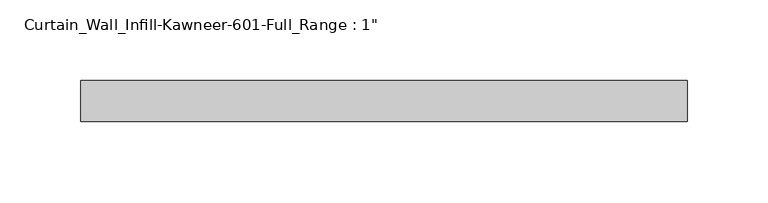
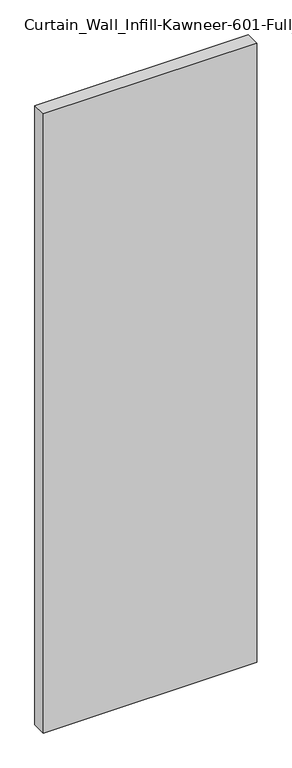
"""IFC4 building model written with IfcOpenShell, lengths in millimetres: plate geometry."""

from ifc_helpers import new_model, si_unit, origin, origin_with_axes, place, context, project, spatial, polyline, outline, extrude, source, transform, mapped, element, save


def plate_961eaf26(model_context):
    return source(origin(), model_context, "Body", "SweptSolid", [
        extrude(outline(polyline([(-187.325, 12.7), (187.325, 12.7), (187.325, -12.7), (-187.325, -12.7), (-187.325, 12.7)])), origin_with_axes(), (0.0, 0.0, 1.0), 1149.35),
    ])


if __name__ == "__main__":
    model = new_model("IFC4")
    model_context = context("Model", 3, world=origin())
    ifc_project = project(units=[si_unit("LENGTHUNIT", "METRE", prefix="MILLI")], contexts=[model_context])
    site = spatial("IfcSite", under=ifc_project)
    building = spatial("IfcBuilding", under=site)
    placement = place(None, origin())
    plate_shape = plate_961eaf26(model_context)
    element("IfcPlate", 1, ObjectType="Curtain_Wall_Infill-Kawneer-601-Full_Range : 1\"", at=placement, inside=building, context=model_context, shape_type="MappedRepresentation", body=[
        mapped(plate_shape, transform((0.0, 0.0, 0.0), x_axis=(1.0, 0.0, 0.0), y_axis=(0.0, 1.0, 0.0), z_axis=(0.0, 0.0, 1.0))),
    ])
    save(model, "model.ifc")
